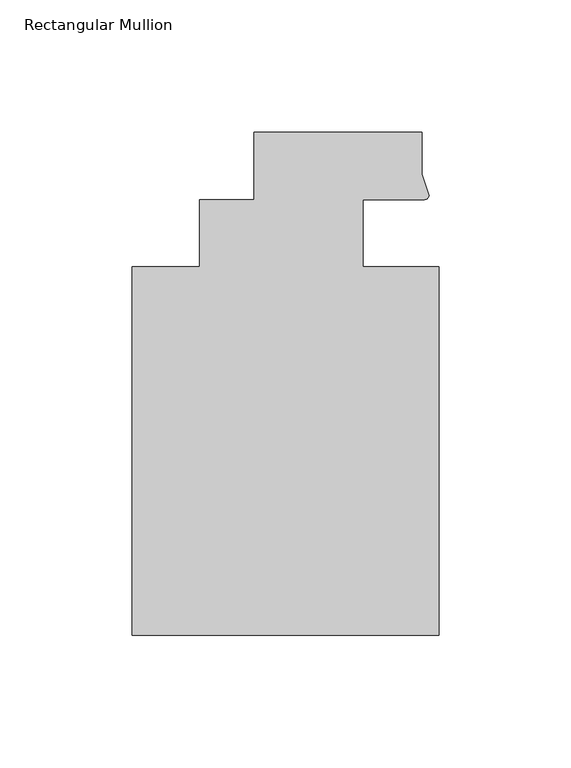
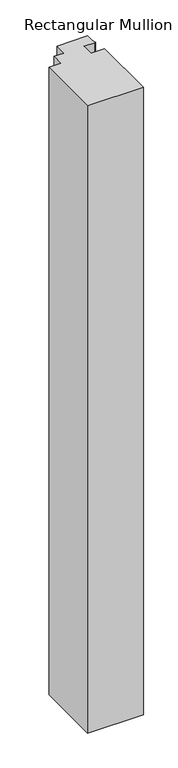
"""IFC4 building model written with IfcOpenShell, lengths in millimetres: member geometry, Rectangular Mullion."""

from ifc_helpers import new_model, si_unit, point, frame, frame_2d, origin, place, context, project, spatial, polyline, circle_curve, trimmed, segment, composite_curve, outline, extrude, source, transform, mapped, element, save


def rectangular_mullion_6bcb39dd(model_context):
    return source(origin(), model_context, "Body", "SweptSolid", [
        extrude(outline(composite_curve([segment(polyline([(48.2997293, 12.7000881), (25.0401592, 12.7000881), (25.0401592, -12.7), (53.615046, -12.7), (53.615046, -151.892), (-62.2957636, -151.892), (-62.2957636, -12.7), (-36.8958768, -12.7), (-36.8958768, 12.7), (-16.234954, 12.7), (-16.234954, 38.1), (47.265046, 38.1), (47.265046, 22.2250977), (49.9159011, 14.2884292)]), True, "CONTINUOUS"), segment(trimmed(circle_curve(frame_2d((48.2162832, 14.401412)), 1.703369), [point((49.9159011, 14.2884292))], [point((48.2997293, 12.7000881))], False, "CARTESIAN"), True, "CONTINUOUS")], self_intersect=False)), frame((0.0, 0.0, -1376.8150925), z_axis=(0.0, 0.0, 1.0), x_axis=(1.0, 0.0, 0.0)), (0.0, 0.0, 1.0), 1376.8150925),
    ])


if __name__ == "__main__":
    model = new_model("IFC4")
    model_context = context("Model", 3, world=origin())
    ifc_project = project(units=[si_unit("LENGTHUNIT", "METRE", prefix="MILLI")], contexts=[model_context])
    site = spatial("IfcSite", under=ifc_project)
    building = spatial("IfcBuilding", under=site)
    placement = place(None, origin())
    rectangular_mullion_shape = rectangular_mullion_6bcb39dd(model_context)
    element("IfcMember", 1, ObjectType="Rectangular Mullion", at=placement, inside=building, context=model_context, shape_type="MappedRepresentation", body=[
        mapped(rectangular_mullion_shape, transform((0.0, 0.0, 0.0), x_axis=(1.0, 0.0, 0.0), y_axis=(0.0, 1.0, 0.0), z_axis=(0.0, 0.0, 1.0))),
    ])
    save(model, "model.ifc")
